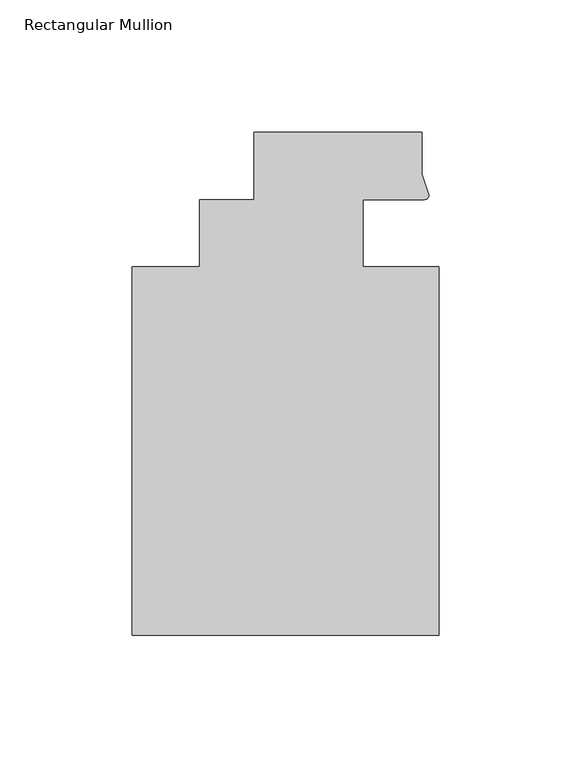
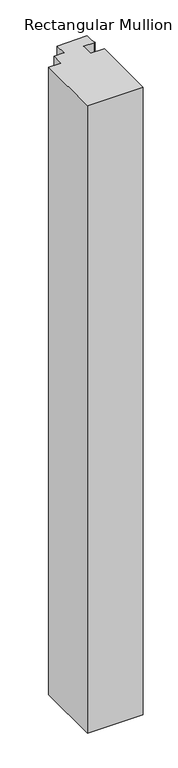
"""IFC4 building model written with IfcOpenShell, lengths in millimetres: member geometry, Rectangular Mullion."""

from ifc_helpers import new_model, si_unit, point, frame, frame_2d, origin, place, context, project, spatial, polyline, circle_curve, trimmed, segment, composite_curve, outline, extrude, source, transform, mapped, element, save


def rectangular_mullion_2ca48d63(model_context):
    return source(origin(), model_context, "Body", "SweptSolid", [
        extrude(outline(composite_curve([segment(polyline([(48.2997293, 12.7000881), (25.0401592, 12.7000881), (25.0401592, -12.7), (53.615046, -12.7), (53.615046, -151.892), (-62.2957636, -151.892), (-62.2957636, -12.7), (-36.8958768, -12.7), (-36.8958768, 12.7), (-16.234954, 12.7), (-16.234954, 38.1), (47.265046, 38.1), (47.265046, 22.2250977), (49.9159011, 14.2884292)]), True, "CONTINUOUS"), segment(trimmed(circle_curve(frame_2d((48.2162832, 14.401412)), 1.703369), [point((49.9159011, 14.2884292))], [point((48.2997293, 12.7000881))], False, "CARTESIAN"), True, "CONTINUOUS")], self_intersect=False)), frame((0.0, 0.0, -1383.1651679), z_axis=(0.0, 0.0, 1.0), x_axis=(1.0, 0.0, 0.0)), (0.0, 0.0, 1.0), 1383.1651679),
    ])


if __name__ == "__main__":
    model = new_model("IFC4")
    model_context = context("Model", 3, world=origin())
    ifc_project = project(units=[si_unit("LENGTHUNIT", "METRE", prefix="MILLI")], contexts=[model_context])
    site = spatial("IfcSite", under=ifc_project)
    building = spatial("IfcBuilding", under=site)
    placement = place(None, origin())
    rectangular_mullion_shape = rectangular_mullion_2ca48d63(model_context)
    element("IfcMember", 1, ObjectType="Rectangular Mullion", at=placement, inside=building, context=model_context, shape_type="MappedRepresentation", body=[
        mapped(rectangular_mullion_shape, transform((0.0, 0.0, 0.0), x_axis=(1.0, 0.0, 0.0), y_axis=(0.0, 1.0, 0.0), z_axis=(0.0, 0.0, 1.0))),
    ])
    save(model, "model.ifc")
